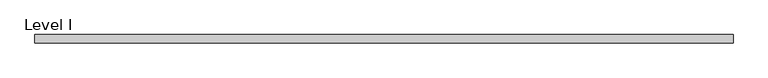
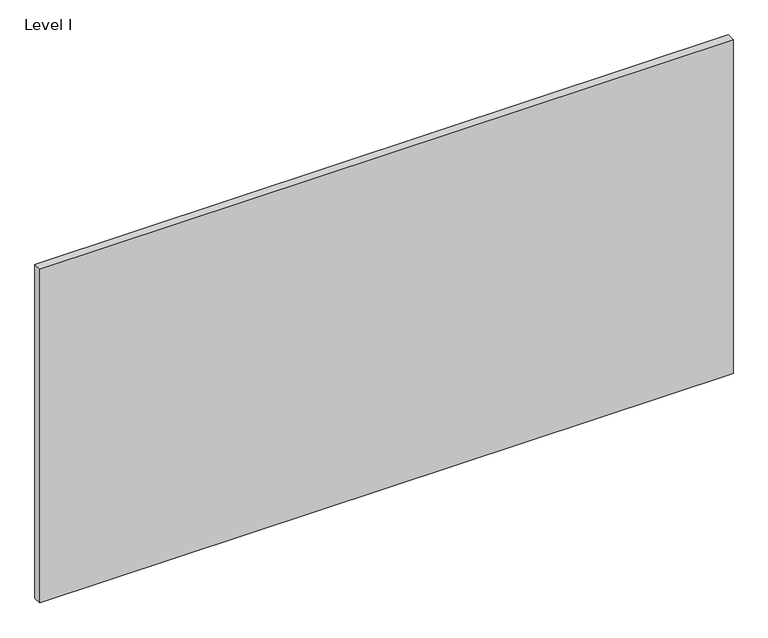
"""IFC4 building model written with IfcOpenShell, lengths in millimetres: proxy geometry, Level I."""

from ifc_helpers import new_model, si_unit, frame, origin, place, context, project, spatial, polyline, outline, extrude, source, transform, mapped, element, save


def level_i_0ecc00cd(model_context):
    return source(origin(), model_context, "Body", "SweptSolid", [
        extrude(outline(polyline([(795.6407125, -9.525), (-795.6407125, -9.525), (-795.6407125, 9.525), (795.6407125, 9.525), (795.6407125, -9.525)])), frame((0.0, 0.0, 3.175), z_axis=(0.0, 0.0, 1.0), x_axis=(1.0, 0.0, 0.0)), (0.0, 0.0, 1.0), 810.768),
    ])


if __name__ == "__main__":
    model = new_model("IFC4")
    model_context = context("Model", 3, world=origin())
    ifc_project = project(units=[si_unit("LENGTHUNIT", "METRE", prefix="MILLI")], contexts=[model_context])
    site = spatial("IfcSite", under=ifc_project)
    building = spatial("IfcBuilding", under=site)
    placement = place(None, origin())
    level_i_shape = level_i_0ecc00cd(model_context)
    element("IfcBuildingElementProxy", 1, Name="Level I", ObjectType="Level I", at=placement, inside=building, context=model_context, shape_type="MappedRepresentation", body=[
        mapped(level_i_shape, transform((0.0, 0.0, 0.0), x_axis=(1.0, 0.0, 0.0), y_axis=(0.0, 1.0, 0.0), z_axis=(0.0, 0.0, 1.0))),
    ])
    save(model, "model.ifc")
